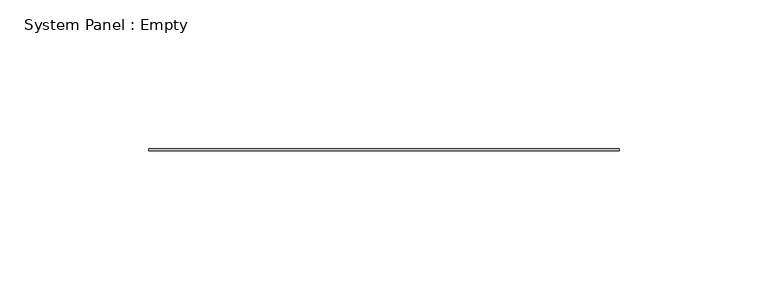
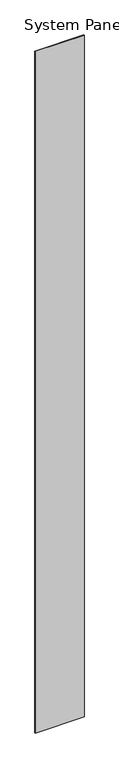
"""IFC4 building model written with IfcOpenShell, lengths in millimetres: plate geometry, System Panel : Empty."""

from ifc_helpers import new_model, si_unit, origin, origin_with_axes, place, context, project, spatial, polyline, outline, extrude, source, transform, mapped, element, save


def system_panel_empty_f94e2318(model_context):
    return source(origin(), model_context, "Body", "SweptSolid", [
        extrude(outline(polyline([(79.2581894, -0.396875), (-79.2581894, -0.396875), (-79.2581894, 0.396875), (79.2581894, 0.396875), (79.2581894, -0.396875)])), origin_with_axes(), (0.0, 0.0, 1.0), 2330.45),
    ])


if __name__ == "__main__":
    model = new_model("IFC4")
    model_context = context("Model", 3, world=origin())
    ifc_project = project(units=[si_unit("LENGTHUNIT", "METRE", prefix="MILLI")], contexts=[model_context])
    site = spatial("IfcSite", under=ifc_project)
    building = spatial("IfcBuilding", under=site)
    placement = place(None, origin())
    system_panel_empty_shape = system_panel_empty_f94e2318(model_context)
    element("IfcPlate", 1, ObjectType="System Panel : Empty", at=placement, inside=building, context=model_context, shape_type="MappedRepresentation", body=[
        mapped(system_panel_empty_shape, transform((0.0, 0.0, 0.0), x_axis=(1.0, 0.0, 0.0), y_axis=(0.0, 1.0, 0.0), z_axis=(0.0, 0.0, 1.0))),
    ])
    save(model, "model.ifc")
